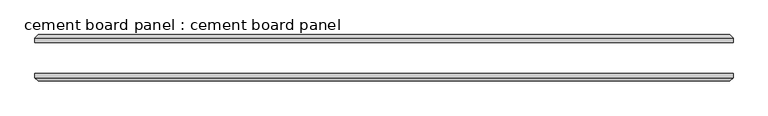
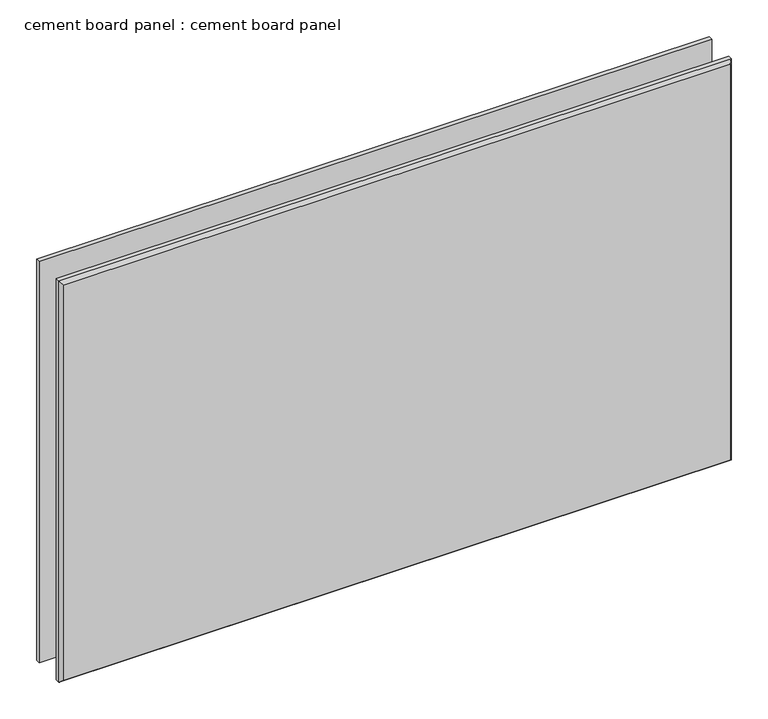
"""IFC4 building model written with IfcOpenShell, lengths in millimetres: plate geometry, cement board panel : cement board panel."""

import ifcopenshell
import ifcopenshell.guid

model = None  # the IFC model being written
_history = None  # IfcOwnerHistory: only IFC2X3 demands one
_inside = {}  # id of a spatial element -> (the spatial element, [elements in it])
_under = {}  # id of a project, library or spatial element -> (it, [spatial elements below it])
_declared = {}  # id of a project -> (the project, [libraries it declares])
_typed = {}  # id of a type object -> (the type object, [elements of that type])
_made_of = {}  # id of a material, layer set ... -> (it, [elements and type objects made of it])


def new_model(schema):
    """Start an empty IFC model of exactly this schema.

    Asked for "IFC4X3", IfcOpenShell would pick the latest addendum, in which some entities
    have other attributes; the version numbers below select the first issue.
    IFC2X3 requires an IfcOwnerHistory on every rooted entity: one is made here for all.
    """
    global model, _history
    if schema == "IFC4X3":
        model = ifcopenshell.file(schema_version=(4, 3, 0, 0))
    else:
        model = ifcopenshell.file(schema=schema)
    _inside.clear()
    _under.clear()
    _declared.clear()
    _typed.clear()
    _made_of.clear()
    _history = None
    if model.schema == "IFC2X3":
        org = make("IfcOrganization", Name="unknown")
        user = make(
            "IfcPersonAndOrganization",
            ThePerson=make("IfcPerson", FamilyName="unknown"),
            TheOrganization=org,
        )
        app = make(
            "IfcApplication",
            ApplicationDeveloper=org,
            Version="unknown",
            ApplicationFullName="unknown",
            ApplicationIdentifier="unknown",
        )
        _history = make(
            "IfcOwnerHistory",
            OwningUser=user,
            OwningApplication=app,
            ChangeAction="ADDED",
            CreationDate=0,
        )
    return model


def make(cls, **values):
    """One entity of the class cls with the attributes given. An attribute that is None is left unset."""
    return model.create_entity(
        cls, **{name: value for name, value in values.items() if value is not None}
    )


def rooted(cls, **values):
    """An entity with a GlobalId (a new one), such as an element, a storey or a relation."""
    return make(cls, GlobalId=ifcopenshell.guid.new(), OwnerHistory=_history, **values)


def si_unit(unit_type, name, prefix=None):
    """IfcSIUnit, for example si_unit("LENGTHUNIT", "METRE", prefix="MILLI")."""
    return make("IfcSIUnit", UnitType=unit_type, Prefix=prefix, Name=name)


def assignment(units):
    """IfcUnitAssignment: the units of a project."""
    return None if units is None else make("IfcUnitAssignment", Units=units)


def point(xyz):
    """IfcCartesianPoint."""
    return None if xyz is None else make("IfcCartesianPoint", Coordinates=xyz)


def direction(xyz):
    """IfcDirection."""
    return None if xyz is None else make("IfcDirection", DirectionRatios=xyz)


def frame(location, z_axis=None, x_axis=None):
    """IfcAxis2Placement3D, a coordinate frame: its origin and axes. An axis left out is left unset."""
    return make(
        "IfcAxis2Placement3D",
        Location=point(location),
        Axis=direction(z_axis),
        RefDirection=direction(x_axis),
    )


def origin():
    """The frame at (0, 0, 0) with its axes left unset."""
    return frame((0.0, 0.0, 0.0))


def place(relative_to, where):
    """IfcLocalPlacement: puts the frame where relative to a parent placement (None: the world)."""
    return make(
        "IfcLocalPlacement", PlacementRelTo=relative_to, RelativePlacement=where
    )


def context(
    kind, dimensions, precision=None, world=None, true_north=None, identifier=None
):
    """IfcGeometricRepresentationContext, for example the 3D "Model" context."""
    return make(
        "IfcGeometricRepresentationContext",
        ContextIdentifier=identifier,
        ContextType=kind,
        CoordinateSpaceDimension=dimensions,
        Precision=precision,
        WorldCoordinateSystem=world,
        TrueNorth=true_north,
    )


def project(units=None, contexts=None):
    """IfcProject with its units and contexts."""
    return rooted(
        "IfcProject",
        Name="project",
        RepresentationContexts=contexts,
        UnitsInContext=assignment(units),
    )


def spatial(cls, under=None, at=None, **own):
    """A site, building, storey or space (cls), placed at a placement, below another one or the project."""
    s = rooted(cls, ObjectPlacement=at, **own)
    if under is not None:
        _under.setdefault(under.id(), (under, []))[1].append(s)
    return s


def faces_of(points, faces, orient=None, outer=None):
    """IfcFace entities. A face is a list of loops; a loop is a list of indices into points, from 0.

    orient and outer hold one flag for each loop. By default every Orientation is true, the
    first loop of a face is its IfcFaceOuterBound and the others are IfcFaceBound.
    """
    made = []
    for i, loops in enumerate(faces):
        bounds = []
        for j, loop in enumerate(loops):
            is_outer = j == 0 if outer is None else outer[i][j]
            bounds.append(
                make(
                    "IfcFaceOuterBound" if is_outer else "IfcFaceBound",
                    Bound=make("IfcPolyLoop", Polygon=[points[k] for k in loop]),
                    Orientation=True if orient is None else orient[i][j],
                )
            )
        made.append(make("IfcFace", Bounds=bounds))
    return made


def faceted_brep(points, faces, orient=None, outer=None, voids=None):
    """IfcFacetedBrep: a solid bounded by flat faces; with voids (closed shells), ...WithVoids."""
    shared = [point(p) for p in points]
    hull = make("IfcClosedShell", CfsFaces=faces_of(shared, faces, orient, outer))
    if voids is None:
        return make("IfcFacetedBrep", Outer=hull)
    return make(
        "IfcFacetedBrepWithVoids",
        Outer=hull,
        Voids=[
            make(cls, CfsFaces=faces_of(shared, fs, o, b)) for cls, fs, o, b in voids
        ],
    )


def shape(context_of_items, identifier, shape_type, items):
    """IfcShapeRepresentation: the items that make up one representation, for example the "Body"."""
    return make(
        "IfcShapeRepresentation",
        ContextOfItems=context_of_items,
        RepresentationIdentifier=identifier,
        RepresentationType=shape_type,
        Items=items,
    )


def source(mapping_origin, context_of_items, identifier, shape_type, items):
    """IfcRepresentationMap: a shape defined once, which mapped items show again and again."""
    return make(
        "IfcRepresentationMap",
        MappingOrigin=mapping_origin,
        MappedRepresentation=shape(context_of_items, identifier, shape_type, items),
    )


def transform(
    local_origin,
    x_axis=None,
    y_axis=None,
    z_axis=None,
    scale=None,
    scale2=None,
    scale3=None,
    uniform=True,
):
    """IfcCartesianTransformationOperator3D, or its non-uniform kind. x_axis, y_axis, z_axis: its Axis1, 2, 3."""
    if uniform:
        return make(
            "IfcCartesianTransformationOperator3D",
            Axis1=direction(x_axis),
            Axis2=direction(y_axis),
            LocalOrigin=point(local_origin),
            Scale=scale,
            Axis3=direction(z_axis),
        )
    return make(
        "IfcCartesianTransformationOperator3DnonUniform",
        Axis1=direction(x_axis),
        Axis2=direction(y_axis),
        LocalOrigin=point(local_origin),
        Scale=scale,
        Axis3=direction(z_axis),
        Scale2=scale2,
        Scale3=scale3,
    )


def mapped(mapping_source, mapping_target):
    """IfcMappedItem: shows the shape of a source again, moved by a transform."""
    return make(
        "IfcMappedItem", MappingSource=mapping_source, MappingTarget=mapping_target
    )


def made_of(thing, what):
    """Note that an element or type object is made of a material, layer set ...; save() writes the relation."""
    if what is not None:
        _made_of.setdefault(what.id(), (what, []))[1].append(thing)
    return thing


def element(
    cls,
    number,
    at=None,
    inside=None,
    cuts=None,
    type_object=None,
    material=None,
    context=None,
    identifier="Body",
    shape_type=None,
    held_by="IfcProductDefinitionShape",
    body=None,
    shapes=None,
    **own,
):
    """One element of the class cls, such as IfcWall. Its Tag is "e" and its number.

    at: its placement. inside: the storey or other place that contains it. cuts: it is an
    opening in that element (IfcRelVoidsElement). A single representation is given by context,
    identifier, shape_type and body (its items); several are given by shapes. held_by: the class
    of the entity that holds the representations. save() writes the other relations.
    """
    e = rooted(cls, Tag="e%d" % number, ObjectPlacement=at, **own)
    if body is not None:
        shapes = [shape(context, identifier, shape_type, body)]
    if shapes is not None:
        e.Representation = make(held_by, Representations=shapes)
    if inside is not None:
        _inside.setdefault(inside.id(), (inside, []))[1].append(e)
    if cuts is not None:
        rooted(
            "IfcRelVoidsElement", RelatingBuildingElement=cuts, RelatedOpeningElement=e
        )
    if type_object is not None:
        _typed.setdefault(type_object.id(), (type_object, []))[1].append(e)
    return made_of(e, material)


def aggregate(whole, parts):
    """IfcRelAggregates: a whole, such as a stair, and the parts it consists of."""
    return rooted("IfcRelAggregates", RelatingObject=whole, RelatedObjects=parts)


def save(model, path):
    """Write the relations noted so far, then the file.

    IfcRelAggregates (storeys below a building ...), IfcRelContainedInSpatialStructure (elements
    in a storey), IfcRelDefinesByType, IfcRelAssociatesMaterial and IfcRelDeclares: one each for
    every whole, place, type object, material and project.
    """
    for whole, parts in _under.values():
        aggregate(whole, parts)
    for where, things in _inside.values():
        rooted(
            "IfcRelContainedInSpatialStructure",
            RelatedElements=things,
            RelatingStructure=where,
        )
    for kind, things in _typed.values():
        rooted("IfcRelDefinesByType", RelatedObjects=things, RelatingType=kind)
    for what, things in _made_of.values():
        rooted("IfcRelAssociatesMaterial", RelatedObjects=things, RelatingMaterial=what)
    for by, libraries in _declared.values():
        rooted("IfcRelDeclares", RelatingContext=by, RelatedDefinitions=libraries)
    model.write(path)


def cement_board_panel_cement_board_panel_92afbbef(model_context):
    return source(origin(), model_context, "Body", "Brep", [
        faceted_brep([(1129.1666667, -50.0, 1425.0), (-1129.1666667, -50.0, 1425.0), (-1129.1666667, -65.0, 1425.0), (1129.1666667, -65.0, 1425.0), (-1129.1666667, -50.0, 0.0), (1129.1666667, -50.0, 0.0), (1129.1666667, -65.0, 0.0), (-1129.1666667, -65.0, 0.0), (-1119.1666667, -75.0, 10.0), (1119.1666667, -75.0, 10.0), (1119.1666667, -75.0, 1415.0), (-1119.1666667, -75.0, 1415.0)], [[[0, 1, 2, 3]], [[4, 5, 6, 7]], [[1, 0, 5, 4]], [[1, 4, 7, 2]], [[8, 9, 10, 11]], [[5, 0, 3, 6]], [[6, 9, 8, 7]], [[9, 6, 3, 10]], [[10, 3, 2, 11]], [[7, 8, 11, 2]]]),
        faceted_brep([(-1129.1666667, 50.0, 1425.0), (1129.1666667, 50.0, 1425.0), (1129.1666667, 65.0, 1425.0), (-1129.1666667, 65.0, 1425.0), (1129.1666667, 50.0, 0.0), (-1129.1666667, 50.0, 0.0), (-1129.1666667, 65.0, 0.0), (1129.1666667, 65.0, 0.0), (1119.1666667, 75.0, 10.0), (-1119.1666667, 75.0, 10.0), (-1119.1666667, 75.0, 1415.0), (1119.1666667, 75.0, 1415.0)], [[[0, 1, 2, 3]], [[4, 5, 6, 7]], [[1, 4, 7, 2]], [[8, 9, 10, 11]], [[5, 0, 3, 6]], [[1, 0, 5, 4]], [[6, 9, 8, 7]], [[9, 6, 3, 10]], [[10, 3, 2, 11]], [[7, 8, 11, 2]]]),
    ])


if __name__ == "__main__":
    model = new_model("IFC4")
    model_context = context("Model", 3, world=origin())
    ifc_project = project(units=[si_unit("LENGTHUNIT", "METRE", prefix="MILLI")], contexts=[model_context])
    site = spatial("IfcSite", under=ifc_project)
    building = spatial("IfcBuilding", under=site)
    placement = place(None, origin())
    cement_board_panel_cement_board_panel_shape = cement_board_panel_cement_board_panel_92afbbef(model_context)
    element("IfcPlate", 1, ObjectType="cement board panel : cement board panel", at=placement, inside=building, context=model_context, shape_type="MappedRepresentation", body=[
        mapped(cement_board_panel_cement_board_panel_shape, transform((0.0, 0.0, 0.0), x_axis=(1.0, 0.0, 0.0), y_axis=(0.0, 1.0, 0.0), z_axis=(0.0, 0.0, 1.0))),
    ])
    save(model, "model.ifc")
